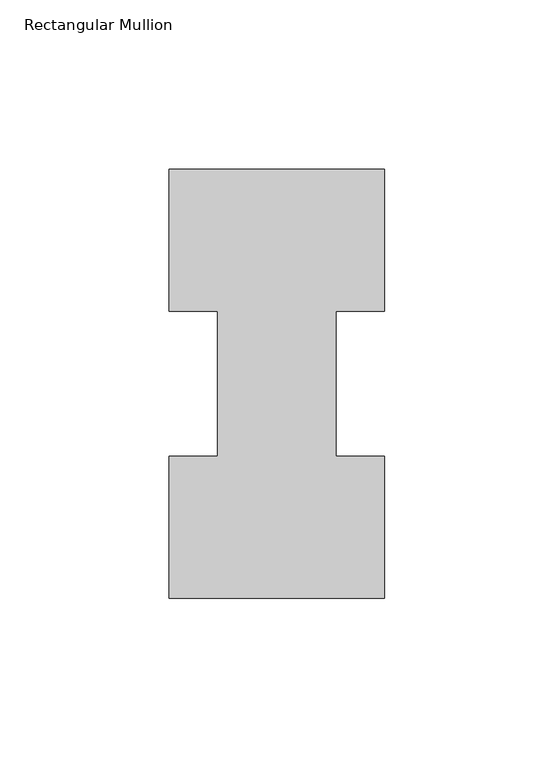
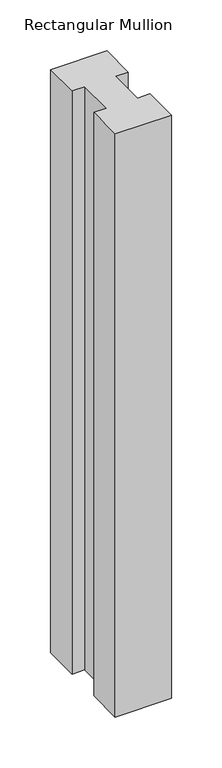
"""IFC4 building model written with IfcOpenShell, lengths in millimetres: member geometry, Rectangular Mullion."""

from ifc_helpers import new_model, si_unit, frame, origin, place, context, project, spatial, polyline, outline, extrude, source, transform, mapped, element, save


def rectangular_mullion_874fad8e(model_context):
    return source(origin(), model_context, "Body", "SweptSolid", [
        extrude(outline(polyline([(-63.5, -0.0373063), (-63.5, 41.7837937), (-49.2125, 41.7837937), (-49.2125, 84.6335938), (-63.5, 84.6335938), (-63.5, 126.4546937), (0.0, 126.4546937), (0.0, 84.6335938), (-14.2748, 84.6335938), (-14.2748, 41.7837937), (0.0, 41.7837937), (0.0, -0.0373063), (-63.5, -0.0373063)])), frame((0.0, 0.0, -698.5864919), z_axis=(0.0, 0.0, 1.0), x_axis=(1.0, 0.0, 0.0)), (0.0, 0.0, 1.0), 698.5864919),
    ])


if __name__ == "__main__":
    model = new_model("IFC4")
    model_context = context("Model", 3, world=origin())
    ifc_project = project(units=[si_unit("LENGTHUNIT", "METRE", prefix="MILLI")], contexts=[model_context])
    site = spatial("IfcSite", under=ifc_project)
    building = spatial("IfcBuilding", under=site)
    placement = place(None, origin())
    rectangular_mullion_shape = rectangular_mullion_874fad8e(model_context)
    element("IfcMember", 1, ObjectType="Rectangular Mullion", at=placement, inside=building, context=model_context, shape_type="MappedRepresentation", body=[
        mapped(rectangular_mullion_shape, transform((0.0, 0.0, 0.0), x_axis=(1.0, 0.0, 0.0), y_axis=(0.0, 1.0, 0.0), z_axis=(0.0, 0.0, 1.0))),
    ])
    save(model, "model.ifc")
